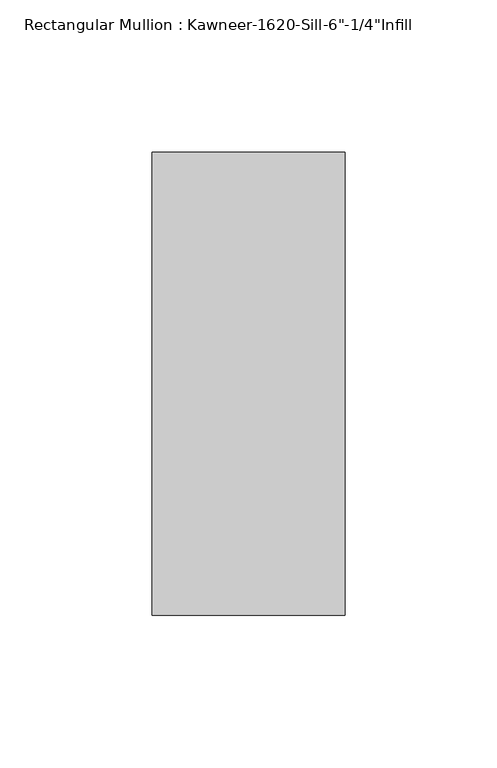
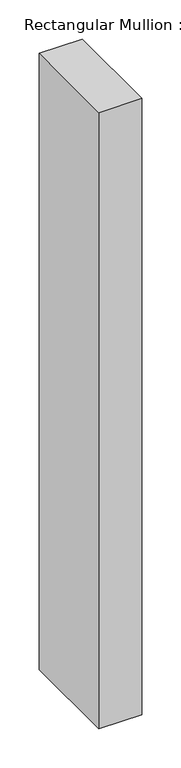
"""IFC4 building model written with IfcOpenShell, lengths in millimetres: member geometry."""

from ifc_helpers import new_model, si_unit, frame, origin, place, context, project, spatial, polyline, outline, extrude, source, transform, mapped, element, save


def member_66ba8dc7(model_context):
    return source(origin(), model_context, "Body", "SweptSolid", [
        extrude(outline(polyline([(-63.5, 28.575), (0.0, 28.575), (0.0, -123.825), (-63.5, -123.825), (-63.5, 28.575)])), frame((0.0, 0.0, -961.3480791), z_axis=(0.0, 0.0, 1.0), x_axis=(1.0, 0.0, 0.0)), (0.0, 0.0, 1.0), 961.3480791),
    ])


if __name__ == "__main__":
    model = new_model("IFC4")
    model_context = context("Model", 3, world=origin())
    ifc_project = project(units=[si_unit("LENGTHUNIT", "METRE", prefix="MILLI")], contexts=[model_context])
    site = spatial("IfcSite", under=ifc_project)
    building = spatial("IfcBuilding", under=site)
    placement = place(None, origin())
    member_shape = member_66ba8dc7(model_context)
    element("IfcMember", 1, ObjectType="Rectangular Mullion : Kawneer-1620-Sill-6\"-1/4\"Infill", at=placement, inside=building, context=model_context, shape_type="MappedRepresentation", body=[
        mapped(member_shape, transform((0.0, 0.0, 0.0), x_axis=(1.0, 0.0, 0.0), y_axis=(0.0, 1.0, 0.0), z_axis=(0.0, 0.0, 1.0))),
    ])
    save(model, "model.ifc")
